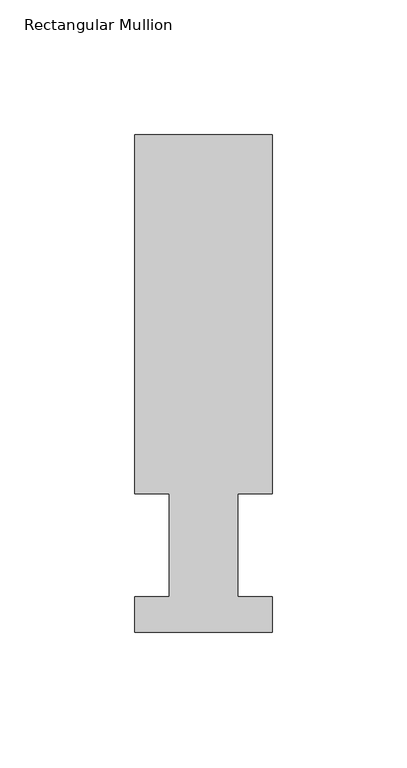
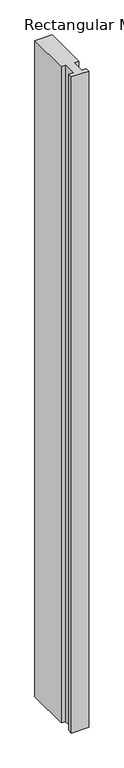
"""IFC4 building model written with IfcOpenShell, lengths in millimetres: member geometry, Rectangular Mullion."""

from ifc_helpers import new_model, si_unit, frame, origin, place, context, project, spatial, polyline, outline, extrude, source, transform, mapped, element, save


def rectangular_mullion_d71f3eba(model_context):
    return source(origin(), model_context, "Body", "SweptSolid", [
        extrude(outline(polyline([(25.4, 51.2960937), (12.7, 51.2960937), (12.7, 13.1966802), (25.4, 13.1966802), (25.4, 0.0134937), (-25.4, 0.0134937), (-25.4, 13.1960938), (-12.7, 13.1960938), (-12.7, 51.2960937), (-25.4, 51.2960937), (-25.4, 184.2396938), (25.4, 184.2396938), (25.4, 51.2960937)])), frame((0.0, 0.0, -2019.3), z_axis=(0.0, 0.0, 1.0), x_axis=(1.0, 0.0, 0.0)), (0.0, 0.0, 1.0), 2019.3),
    ])


if __name__ == "__main__":
    model = new_model("IFC4")
    model_context = context("Model", 3, world=origin())
    ifc_project = project(units=[si_unit("LENGTHUNIT", "METRE", prefix="MILLI")], contexts=[model_context])
    site = spatial("IfcSite", under=ifc_project)
    building = spatial("IfcBuilding", under=site)
    placement = place(None, origin())
    rectangular_mullion_shape = rectangular_mullion_d71f3eba(model_context)
    element("IfcMember", 1, ObjectType="Rectangular Mullion", at=placement, inside=building, context=model_context, shape_type="MappedRepresentation", body=[
        mapped(rectangular_mullion_shape, transform((0.0, 0.0, 0.0), x_axis=(1.0, 0.0, 0.0), y_axis=(0.0, 1.0, 0.0), z_axis=(0.0, 0.0, 1.0))),
    ])
    save(model, "model.ifc")
